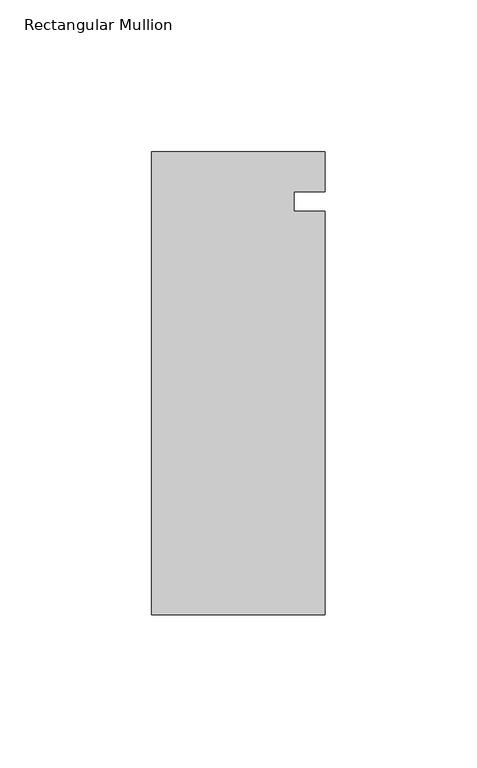
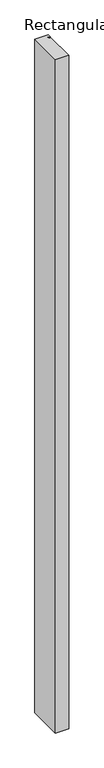
"""IFC4 building model written with IfcOpenShell, lengths in millimetres: member geometry, Rectangular Mullion."""

from ifc_helpers import new_model, si_unit, frame, origin, place, context, project, spatial, polyline, outline, extrude, source, transform, mapped, element, save


def rectangular_mullion_94ceb12a(model_context):
    return source(origin(), model_context, "Body", "SweptSolid", [
        extrude(outline(polyline([(0.0, -70.2564), (-57.15, -70.2564), (-57.15, 82.1436), (0.0, 82.1436), (0.0, 68.9638744), (-10.16, 68.9638744), (-10.16, 62.601472), (0.0, 62.601472), (0.0, -70.2564)])), frame((0.0, 0.0, -3048.0), z_axis=(0.0, 0.0, 1.0), x_axis=(1.0, 0.0, 0.0)), (0.0, 0.0, 1.0), 3048.0),
    ])


if __name__ == "__main__":
    model = new_model("IFC4")
    model_context = context("Model", 3, world=origin())
    ifc_project = project(units=[si_unit("LENGTHUNIT", "METRE", prefix="MILLI")], contexts=[model_context])
    site = spatial("IfcSite", under=ifc_project)
    building = spatial("IfcBuilding", under=site)
    placement = place(None, origin())
    rectangular_mullion_shape = rectangular_mullion_94ceb12a(model_context)
    element("IfcMember", 1, ObjectType="Rectangular Mullion", at=placement, inside=building, context=model_context, shape_type="MappedRepresentation", body=[
        mapped(rectangular_mullion_shape, transform((0.0, 0.0, 0.0), x_axis=(1.0, 0.0, 0.0), y_axis=(0.0, 1.0, 0.0), z_axis=(0.0, 0.0, 1.0))),
    ])
    save(model, "model.ifc")
